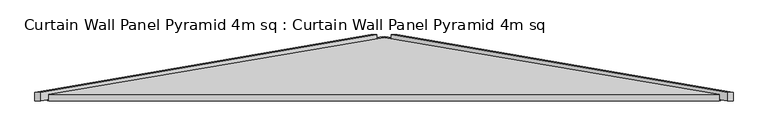
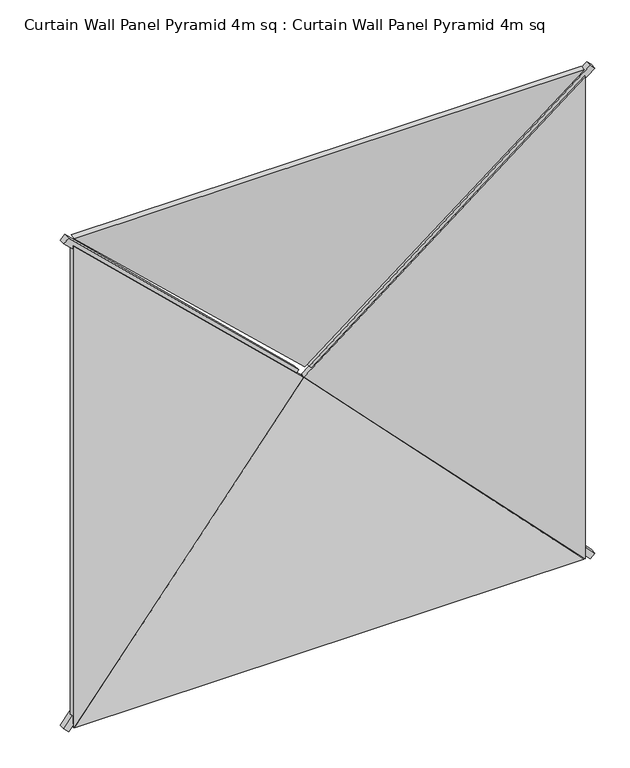
"""IFC4 building model written with IfcOpenShell, lengths in millimetres: plate geometry, Curtain Wall Panel Pyramid 4m sq : Curtain Wall Panel Pyramid 4m sq."""

from ifc_helpers import new_model, si_unit, frame, origin, place, context, project, spatial, polyline, outline, extrude, source, transform, mapped, element, save


def curtain_wall_panel_pyramid_4m_sq_curtain_wall_panel_pyramid_7cc9e8f4(model_context):
    return source(origin(), model_context, "Body", "SweptSolid", [
        extrude(outline(polyline([(-25.0, 0.0), (25.0, 0.0), (-319.5008531, -2828.2124727), (-369.5008531, -2828.2124727), (-25.0, 0.0)])), frame((2042.3223305, 25.0, -17.6776695), z_axis=(0.7071067811865489, 0.0, 0.7071067811865462), x_axis=(0.0, -1.0, 0.0)), (0.0, 0.0, 1.0), 50.0),
        extrude(outline(polyline([(-25.0, 0.0), (25.0, 0.0), (369.5008531, -2828.2124727), (319.5008531, -2828.2124727), (-25.0, 0.0)])), frame((-2042.3223305, 25.0, -17.6776695), z_axis=(-0.7071067811865475, 0.0, 0.7071067811865477), x_axis=(0.0, 1.0, 0.0)), (0.0, 0.0, 1.0), 50.0),
        extrude(outline(polyline([(-25.0, 0.0), (25.0, 0.0), (369.5008531, -2828.2124727), (319.5008531, -2828.2124727), (-25.0, 0.0)])), frame((-2077.6776695, 25.0, 4032.3223305), z_axis=(0.7071067811865488, 0.0, 0.7071067811865462), x_axis=(0.0, 1.0, 0.0)), (0.0, 0.0, 1.0), 50.0),
        extrude(outline(polyline([(-25.0, 0.0), (25.0, 0.0), (-319.5008531, -2828.2124727), (-369.5008531, -2828.2124727), (-25.0, 0.0)])), frame((2077.6776695, 25.0, 4032.3223305), z_axis=(-0.7071067811865472, 0.0, 0.7071067811865479), x_axis=(0.0, -1.0, 0.0)), (0.0, 0.0, 1.0), 50.0),
        extrude(outline(polyline([(1993.2098768, -1014.7271131), (-2.1709376, 1016.8143409), (3988.5906912, 1016.8143409), (1993.2098768, -1014.7271131)])), frame((1000.0, 172.8335872, 0.0), z_axis=(0.16975307948003834, 0.9854866270056859, 0.0), x_axis=(0.0, 0.0, 1.0)), (0.0, 0.0, 1.0), 40.0),
        extrude(outline(polyline([(0.0, -1014.7271131), (-1991.3928218, 1012.7540773), (1991.3928218, 1012.7540773), (0.0, -1014.7271131)])), frame((0.0, 212.2530523, 986.4197536), z_axis=(0.0, -0.9854866270056859, 0.16975307948003834), x_axis=(-1.0, 0.0, 0.0)), (0.0, 0.0, 1.0), 40.0),
        extrude(outline(polyline([(1993.2098768, 1014.7271131), (3986.6374086, -1014.8256606), (-0.217655, -1014.8256606), (1993.2098768, 1014.7271131)])), frame((-1000.0, 172.8335872, 0.0), z_axis=(-0.16975307948003834, 0.9854866270056859, 0.0), x_axis=(0.0, 0.0, 1.0)), (0.0, 0.0, 1.0), 40.0),
        extrude(outline(polyline([(1996.304868, -1017.8221042), (-1996.2959025, -1017.8221042), (2.4233431, 976.0594205), (1996.304868, -1017.8221042)])), frame((0.0, 172.8335872, 3043.2098768), z_axis=(0.0, 0.9854866270056859, 0.16975307948003832), x_axis=(1.0, 0.0, 0.0)), (0.0, 0.0, 1.0), 40.0),
    ])


if __name__ == "__main__":
    model = new_model("IFC4")
    model_context = context("Model", 3, world=origin())
    ifc_project = project(units=[si_unit("LENGTHUNIT", "METRE", prefix="MILLI")], contexts=[model_context])
    site = spatial("IfcSite", under=ifc_project)
    building = spatial("IfcBuilding", under=site)
    placement = place(None, origin())
    curtain_wall_panel_pyramid_4m_sq_curtain_wall_panel_pyramid_shape = curtain_wall_panel_pyramid_4m_sq_curtain_wall_panel_pyramid_7cc9e8f4(model_context)
    element("IfcPlate", 1, ObjectType="Curtain Wall Panel Pyramid 4m sq : Curtain Wall Panel Pyramid 4m sq", at=placement, inside=building, context=model_context, shape_type="MappedRepresentation", body=[
        mapped(curtain_wall_panel_pyramid_4m_sq_curtain_wall_panel_pyramid_shape, transform((0.0, 0.0, 0.0), x_axis=(1.0, 0.0, 0.0), y_axis=(0.0, 1.0, 0.0), z_axis=(0.0, 0.0, 1.0))),
    ])
    save(model, "model.ifc")
